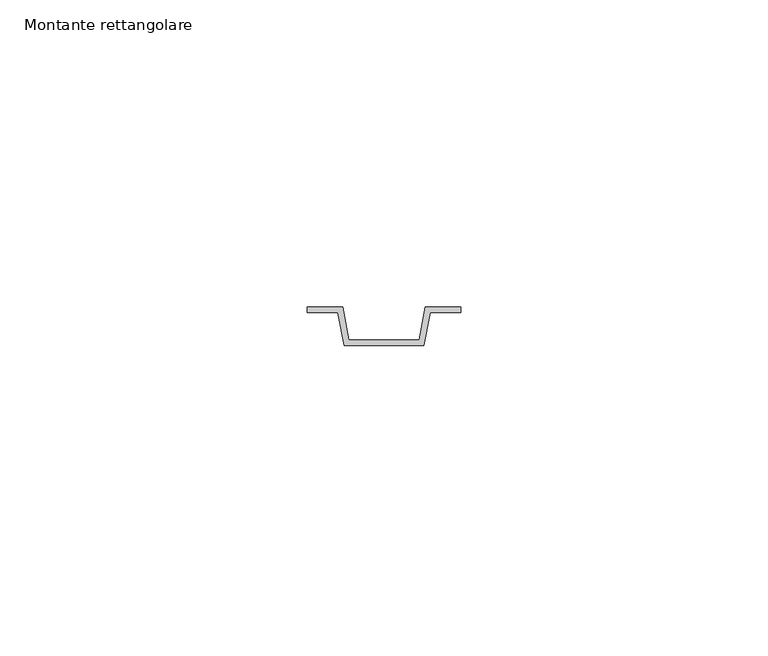
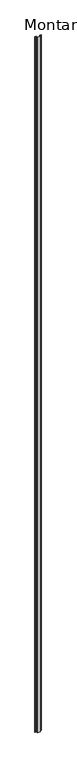
"""IFC4 building model written with IfcOpenShell, lengths in millimetres: member geometry, Montante rettangolare."""

from ifc_helpers import new_model, si_unit, frame, origin, place, context, project, spatial, polyline, outline, extrude, source, transform, mapped, element, save


def montante_rettangolare_7bab7874(model_context):
    return source(origin(), model_context, "Body", "SweptSolid", [
        extrude(outline(polyline([(-6.7536795, -53.84375), (-5.7536795, -59.24375), (5.7536795, -59.24375), (6.7536795, -53.84375), (12.5, -53.84375), (12.5, -54.75625), (7.5, -54.75625), (6.5, -60.15625), (-6.5, -60.15625), (-7.5, -54.75625), (-12.5, -54.75625), (-12.5, -53.84375), (-6.7536795, -53.84375)])), frame((0.0, 0.0, -3000.0), z_axis=(0.0, 0.0, 1.0), x_axis=(1.0, 0.0, 0.0)), (0.0, 0.0, 1.0), 3000.0),
    ])


if __name__ == "__main__":
    model = new_model("IFC4")
    model_context = context("Model", 3, world=origin())
    ifc_project = project(units=[si_unit("LENGTHUNIT", "METRE", prefix="MILLI")], contexts=[model_context])
    site = spatial("IfcSite", under=ifc_project)
    building = spatial("IfcBuilding", under=site)
    placement = place(None, origin())
    montante_rettangolare_shape = montante_rettangolare_7bab7874(model_context)
    element("IfcMember", 1, ObjectType="Montante rettangolare", at=placement, inside=building, context=model_context, shape_type="MappedRepresentation", body=[
        mapped(montante_rettangolare_shape, transform((0.0, 0.0, 0.0), x_axis=(1.0, 0.0, 0.0), y_axis=(0.0, 1.0, 0.0), z_axis=(0.0, 0.0, 1.0))),
    ])
    save(model, "model.ifc")
